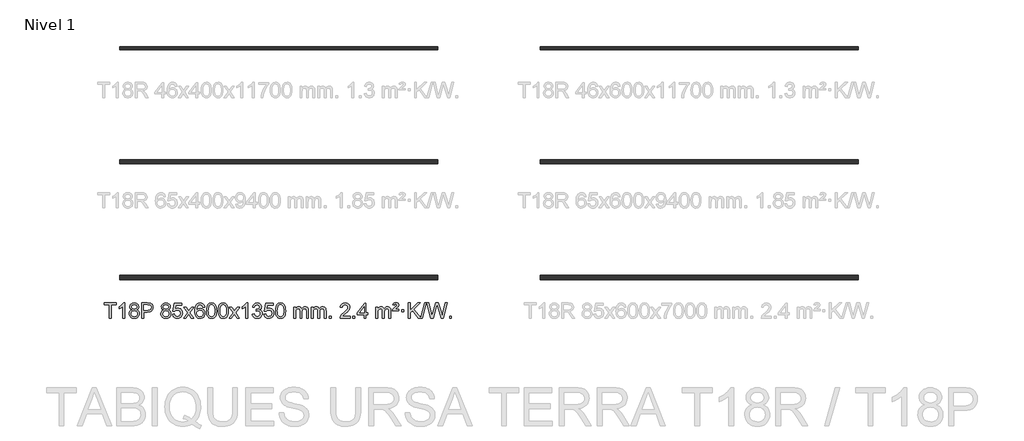
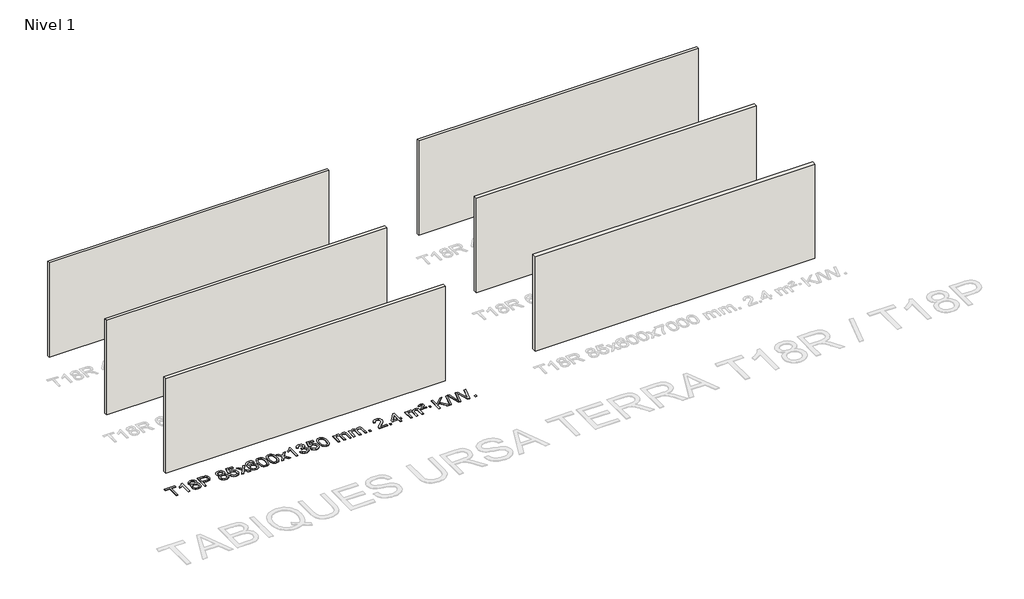
# One storey, part 1 of 7: 6 walls, 1 proxy.
"""IFC4 building model written with IfcOpenShell, lengths in millimetres."""

from ifc_helpers import new_model, si_unit, origin, origin_with_axes, place, context, project, spatial, polyline, outline, extrude, element, save

model = new_model("IFC4")

# Units and contexts
model_context = context("Model", 3, world=origin())
ifc_project = project(units=[si_unit("LENGTHUNIT", "METRE", prefix="MILLI")], contexts=[model_context])

# Site, building, storey
site = spatial("IfcSite", under=ifc_project)
building = spatial("IfcBuilding", under=site)
storey = spatial("IfcBuildingStorey", under=building, Name="Nivel 1", Elevation=0.0)

# Proxy
placement = place(None, origin())
element("IfcBuildingElementProxy", 1, Name="Texto de modelo 1", ObjectType="Texto de modelo 1", at=placement, inside=storey, context=model_context, shape_type="SweptSolid", body=[
    extrude(outline(polyline([(-25847.7238, 2801.3831431), (-25847.7238, 3152.9802287), (-25979.5727071, 3152.9802287), (-25979.5727071, 3203.2083837), (-25665.6467378, 3203.2083837), (-25665.6467378, 3152.9802287), (-25797.4956449, 3152.9802287), (-25797.4956449, 2801.3831431), (-25847.7238, 2801.3831431)])), origin_with_axes(), (0.0, 0.0, 1.0), 10.0),
    extrude(outline(polyline([(-25439.62004, 2801.3831431), (-25489.8481951, 2801.3831431), (-25489.8481951, 3114.5242974), (-25510.8174688, 3097.5649374), (-25537.4275998, 3080.6301029), (-25590.3045052, 3055.2707707), (-25590.3045052, 3102.7520736), (-25550.8552926, 3124.2118566), (-25516.6790553, 3149.7428671), (-25489.7378305, 3176.8925583), (-25471.9936556, 3203.2083837), (-25439.62004, 3203.2083837), (-25439.62004, 2801.3831431)])), origin_with_axes(), (0.0, 0.0, 1.0), 10.0),
    extrude(outline(polyline([(-25247.1441801, 3022.7009514), (-25274.036354, 3035.9447033), (-25292.9087003, 3053.8973446), (-25304.0555248, 3076.1909935), (-25307.7711329, 3102.457768), (-25305.747782, 3122.9426637), (-25299.677729, 3141.7230396), (-25289.5609742, 3158.7988955), (-25275.3975174, 3174.1702316), (-25257.8679403, 3186.8744231), (-25237.6528246, 3195.9488457), (-25214.7521704, 3201.3934992), (-25189.1659777, 3203.2083837), (-25163.4571576, 3201.3505797), (-25140.3848251, 3195.7771674), (-25119.9489803, 3186.488147), (-25102.1496231, 3173.4835185), (-25087.7286489, 3157.8117455), (-25077.427953, 3140.5212918), (-25071.2475355, 3121.6121572), (-25069.1873963, 3101.0843419), (-25072.8539535, 3075.663696), (-25083.8536252, 3053.7501918), (-25102.3090386, 3035.9079151), (-25128.3428211, 3022.7009514), (-25097.4284708, 3006.771661), (-25074.9263554, 2983.3130525), (-25061.204357, 2953.4532972), (-25056.6303576, 2918.3205667), (-25058.8989632, 2893.2678028), (-25065.7047801, 2870.2997036), (-25077.0478083, 2849.416269), (-25092.9280477, 2830.617499), (-25112.5116326, 2815.0806161), (-25134.9646971, 2803.9828426), (-25160.2872411, 2797.3241785), (-25188.4792646, 2795.1046237), (-25216.6712882, 2797.3333755), (-25241.9938322, 2804.0196308), (-25264.4468966, 2815.1633895), (-25284.0304815, 2830.7646518), (-25299.910721, 2849.6952461), (-25311.2537491, 2870.8270011), (-25318.0595661, 2894.1599166), (-25320.3281717, 2919.6939928), (-25315.5702312, 2956.1878867), (-25301.2964098, 2986.2070575), (-25278.2424714, 3008.7214356), (-25247.1441801, 3022.7009514)]), holes=[polyline([(-25257.5429779, 3100.98624), (-25253.0916057, 3079.0604731), (-25239.7374893, 3061.5492901), (-25217.873036, 3050.0713719), (-25187.8906534, 3046.2453991), (-25158.6072466, 3050.0468464), (-25137.0738872, 3061.4511883), (-25123.8301353, 3078.37376), (-25119.4155514, 3098.7298971), (-25123.9772881, 3119.8585864), (-25137.6624984, 3137.3329811), (-25159.4901634, 3149.0684168), (-25188.4792646, 3152.9802287), (-25217.6523068, 3149.1542559), (-25239.4431837, 3137.6763377), (-25253.0180293, 3120.8518677), (-25257.5429779, 3100.98624)]), polyline([(-25270.1000166, 2921.4598264), (-25268.0030892, 2902.2441235), (-25261.7123071, 2883.6415573), (-25250.0994988, 2867.4179613), (-25232.0364929, 2855.3391691), (-25210.4050315, 2847.8343764), (-25188.0868572, 2845.3327788), (-25153.8983571, 2850.5934914), (-25140.0046804, 2857.169382), (-25128.2447193, 2866.3756289), (-25112.2050643, 2890.2756959), (-25106.8585126, 2919.8901965), (-25112.3767426, 2950.0074692), (-25128.9314323, 2974.4348337), (-25141.0102245, 2983.8771382), (-25155.1736813, 2990.6216414), (-25189.7545889, 2996.017244), (-25223.4648424, 2990.6952178), (-25237.2021692, 2984.0426851), (-25248.8609628, 2974.7291393), (-25264.7902532, 2950.7677586), (-25270.1000166, 2921.4598264)])]), origin_with_axes(), (0.0, 0.0, 1.0), 10.0),
    extrude(outline(polyline([(-24993.8451637, 2801.3831431), (-24993.8451637, 3203.2083837), (-24844.9265321, 3203.2083837), (-24784.8881905, 3199.382411), (-24758.1186439, 3192.2332375), (-24736.0825124, 3180.5959038), (-24718.3383375, 3163.9431121), (-24704.4446608, 3141.7475651), (-24695.4683402, 3115.5666297), (-24692.4762333, 3086.9576733), (-24694.4965186, 3062.2911855), (-24700.5573744, 3039.5989977), (-24710.6588009, 3018.88111), (-24724.8007979, 3000.1375224), (-24744.2157702, 2984.6006395), (-24770.1361224, 2973.5028659), (-24802.5618546, 2966.8442018), (-24841.4929668, 2964.6246471), (-24943.6170086, 2964.6246471), (-24943.6170086, 2801.3831431), (-24993.8451637, 2801.3831431)]), holes=[polyline([(-24943.6170086, 3014.8528022), (-24838.5499108, 3014.8528022), (-24794.0116639, 3019.4635899), (-24777.4079232, 3025.2270745), (-24764.5811043, 3033.2959529), (-24755.0100411, 3043.4556273), (-24748.1735673, 3055.4914999), (-24742.7043883, 3085.1918397), (-24745.9294872, 3107.7552687), (-24755.6047836, 3126.7870306), (-24770.5285299, 3141.1099029), (-24789.4989781, 3149.5466634), (-24839.7271332, 3152.9802287), (-24943.6170086, 3152.9802287), (-24943.6170086, 3014.8528022)])]), origin_with_axes(), (0.0, 0.0, 1.0), 10.0),
    extrude(outline(polyline([(-24412.101102, 3022.7009514), (-24438.9932759, 3035.9447033), (-24457.8656222, 3053.8973446), (-24469.0124467, 3076.1909935), (-24472.7280548, 3102.457768), (-24470.7047038, 3122.9426637), (-24464.6346509, 3141.7230396), (-24454.517896, 3158.7988955), (-24440.3544392, 3174.1702316), (-24422.8248622, 3186.8744231), (-24402.6097465, 3195.9488457), (-24379.7090923, 3201.3934992), (-24354.1228996, 3203.2083837), (-24328.4140795, 3201.3505797), (-24305.341747, 3195.7771674), (-24284.9059022, 3186.488147), (-24267.106545, 3173.4835185), (-24252.6855708, 3157.8117455), (-24242.3848749, 3140.5212918), (-24236.2044574, 3121.6121572), (-24234.1443182, 3101.0843419), (-24237.8108754, 3075.663696), (-24248.8105471, 3053.7501918), (-24267.2659605, 3035.9079151), (-24293.299743, 3022.7009514), (-24262.3853927, 3006.771661), (-24239.8832773, 2983.3130525), (-24226.1612789, 2953.4532972), (-24221.5872794, 2918.3205667), (-24223.8558851, 2893.2678028), (-24230.661702, 2870.2997036), (-24242.0047302, 2849.416269), (-24257.8849696, 2830.617499), (-24277.4685545, 2815.0806161), (-24299.9216189, 2803.9828426), (-24325.2441629, 2797.3241785), (-24353.4361865, 2795.1046237), (-24381.6282101, 2797.3333755), (-24406.9507541, 2804.0196308), (-24429.4038185, 2815.1633895), (-24448.9874034, 2830.7646518), (-24464.8676428, 2849.6952461), (-24476.210671, 2870.8270011), (-24483.0164879, 2894.1599166), (-24485.2850936, 2919.6939928), (-24480.5271531, 2956.1878867), (-24466.2533317, 2986.2070575), (-24443.1993933, 3008.7214356), (-24412.101102, 3022.7009514)]), holes=[polyline([(-24422.4998997, 3100.98624), (-24418.0485276, 3079.0604731), (-24404.6944112, 3061.5492901), (-24382.8299579, 3050.0713719), (-24352.8475753, 3046.2453991), (-24323.5641685, 3050.0468464), (-24302.030809, 3061.4511883), (-24288.7870572, 3078.37376), (-24284.3724733, 3098.7298971), (-24288.93421, 3119.8585864), (-24302.6194202, 3137.3329811), (-24324.4470853, 3149.0684168), (-24353.4361865, 3152.9802287), (-24382.6092287, 3149.1542559), (-24404.4001056, 3137.6763377), (-24417.9749512, 3120.8518677), (-24422.4998997, 3100.98624)]), polyline([(-24435.0569385, 2921.4598264), (-24432.9600111, 2902.2441235), (-24426.669229, 2883.6415573), (-24415.0564207, 2867.4179613), (-24396.9934147, 2855.3391691), (-24375.3619534, 2847.8343764), (-24353.043779, 2845.3327788), (-24318.855279, 2850.5934914), (-24304.9616023, 2857.169382), (-24293.2016412, 2866.3756289), (-24277.1619862, 2890.2756959), (-24271.8154345, 2919.8901965), (-24277.3336644, 2950.0074692), (-24293.8883542, 2974.4348337), (-24305.9671464, 2983.8771382), (-24320.1306032, 2990.6216414), (-24354.7115108, 2996.017244), (-24388.4217642, 2990.6952178), (-24402.1590911, 2984.0426851), (-24413.8178846, 2974.7291393), (-24429.747175, 2950.7677586), (-24435.0569385, 2921.4598264)])]), origin_with_axes(), (0.0, 0.0, 1.0), 10.0),
    extrude(outline(polyline([(-24177.6376437, 2908.1179727), (-24127.4094887, 2914.396492), (-24118.1879133, 2884.2424312), (-24102.0992074, 2862.6477581), (-24079.2169473, 2849.6615236), (-24049.6147094, 2845.3327788), (-24030.4848457, 2846.8380293), (-24013.6113248, 2851.3537808), (-23998.9941469, 2858.8800333), (-23986.6333118, 2869.4167868), (-23976.8047312, 2882.4428751), (-23969.7843165, 2897.4371321), (-23964.1679847, 2933.3301521), (-23969.4286972, 2967.1262447), (-23976.0045879, 2981.0444468), (-23985.2108348, 2992.9760862), (-23997.0780948, 3002.5471495), (-24011.6370248, 3009.3836232), (-24048.8298945, 3014.8528022), (-24073.1959453, 3012.6700357), (-24092.926683, 3006.1217362), (-24108.6842951, 2996.0908204), (-24121.1309693, 2983.4602053), (-24171.3591244, 2989.7387247), (-24127.4094887, 3196.9298643), (-23932.7753878, 3196.9298643), (-23932.7753878, 3146.7017093), (-24086.7953164, 3146.7017093), (-24108.2796249, 3036.0428051), (-24090.5538441, 3048.7469967), (-24072.3988677, 3057.8214192), (-24053.8146955, 3063.2660728), (-24034.8013278, 3065.0809573), (-24010.3402408, 3062.8307457), (-23987.8718479, 3056.0801111), (-23967.3961492, 3044.8290534), (-23948.9131446, 3029.0775727), (-23933.6123193, 3009.7882934), (-23922.6831584, 2987.9238402), (-23916.1256618, 2963.4842129), (-23913.9398296, 2936.4694118), (-23915.9079983, 2910.447892), (-23921.8125043, 2886.2412567), (-23931.6533477, 2863.8495059), (-23945.4305284, 2843.2726396), (-23966.3017002, 2822.1991327), (-23990.6554883, 2807.1466277), (-24018.4918926, 2798.1151247), (-24049.8109132, 2795.1046237), (-24075.7312654, 2797.0390699), (-24099.1438887, 2802.8424084), (-24120.0487831, 2812.5146392), (-24138.4459485, 2826.0557623), (-24153.7529052, 2842.7913274), (-24165.3871733, 2862.0468841), (-24173.3487528, 2883.8224326), (-24177.6376437, 2908.1179727)])), origin_with_axes(), (0.0, 0.0, 1.0), 10.0),
    extrude(outline(polyline([(-23888.8257521, 2801.3831431), (-23781.5023113, 2949.7131636), (-23882.5472327, 3096.4735542), (-23822.1164836, 3096.4735542), (-23773.3598565, 3025.8402111), (-23750.6002237, 2992.4855769), (-23730.8817488, 3019.7578955), (-23675.356093, 3096.4735542), (-23614.9253439, 3096.4735542), (-23721.0715623, 2949.7131636), (-23618.8494185, 2801.3831431), (-23679.2801676, 2801.3831431), (-23740.7900372, 2890.5577388), (-23752.0717517, 2906.8426484), (-23828.395003, 2801.3831431), (-23888.8257521, 2801.3831431)])), origin_with_axes(), (0.0, 0.0, 1.0), 10.0),
    extrude(outline(polyline([(-23330.0375269, 3096.4735542), (-23380.2656819, 3090.1950348), (-23388.3590858, 3115.0883832), (-23399.2974438, 3132.0845313), (-23422.0816021, 3147.7563043), (-23449.6237008, 3152.9802287), (-23472.9719447, 3149.9390708), (-23494.9467626, 3140.8155973), (-23513.8191089, 3121.5998945), (-23529.2333645, 3095.149179), (-23539.644425, 3057.7355801), (-23543.5071859, 3005.6312269), (-23523.3595153, 3029.1388863), (-23499.2141937, 3045.7058389), (-23472.4201217, 3055.5282881), (-23444.3262, 3058.8024379), (-23420.1931411, 3056.5644891), (-23397.9240177, 3049.8506427), (-23377.5188297, 3038.6608987), (-23358.9775771, 3022.995257), (-23343.5694529, 3003.7856855), (-23332.5636499, 2981.9641518), (-23325.9601681, 2957.530656), (-23323.7590075, 2930.485198), (-23327.9038113, 2894.5186016), (-23340.3382227, 2861.1762301), (-23360.0321722, 2832.8983674), (-23385.9555901, 2812.1252974), (-23416.9312541, 2799.3597922), (-23451.7819418, 2795.1046237), (-23481.7244705, 2797.9250524), (-23508.7668628, 2806.3863383), (-23532.9091188, 2820.4884814), (-23554.1512383, 2840.2314818), (-23571.4692832, 2866.4492053), (-23583.8393153, 2899.9755178), (-23591.2613346, 2940.8104193), (-23593.735341, 2988.9539097), (-23590.9884888, 3042.9283298), (-23582.7479321, 3088.993287), (-23569.0136709, 3127.1487812), (-23549.7857053, 3157.3948126), (-23528.9451903, 3177.43825), (-23504.7814746, 3191.7549909), (-23477.2945582, 3200.3450355), (-23446.4844411, 3203.2083837), (-23423.3507949, 3201.4364188), (-23402.412178, 3196.120524), (-23383.6685904, 3187.2606992), (-23367.120032, 3174.8569446), (-23353.2140926, 3159.3261931), (-23342.3983619, 3141.0853775), (-23334.67284, 3120.1344979), (-23330.0375269, 3096.4735542)]), holes=[polyline([(-23543.5071859, 2931.2700129), (-23540.6009182, 2909.0131522), (-23531.8821149, 2887.7618356), (-23518.3440575, 2869.4903632), (-23500.9800273, 2856.1730349), (-23480.0230163, 2848.0428429), (-23455.7060164, 2845.3327788), (-23422.5598486, 2850.9491106), (-23408.6447122, 2857.9695254), (-23396.5015407, 2867.798106), (-23386.6515002, 2880.0363137), (-23379.6157571, 2894.2856096), (-23373.9871625, 2928.8174663), (-23379.5421807, 2961.963634), (-23386.4859533, 2975.5844649), (-23396.2072351, 2987.2371271), (-23408.3871948, 2996.5721327), (-23422.7070014, 3003.2399939), (-23457.7661556, 3008.5742828), (-23490.8632724, 3003.2399939), (-23518.5402612, 2987.2371271), (-23529.4632908, 2975.7377491), (-23537.2654547, 2962.5767707), (-23541.9467531, 2947.754192), (-23543.5071859, 2931.2700129)])]), origin_with_axes(), (0.0, 0.0, 1.0), 10.0),
    extrude(outline(polyline([(-23279.8093718, 2999.0584019), (-23276.1182891, 3063.3764374), (-23265.045041, 3114.6714502), (-23246.6999922, 3153.7282554), (-23234.8419292, 3168.9616357), (-23221.1935072, 3181.3316677), (-23205.7087409, 3190.902731), (-23188.341645, 3197.7392047), (-23147.9604647, 3203.2083837), (-23117.0093262, 3199.9710222), (-23089.2955492, 3190.2589375), (-23066.1189835, 3174.4522744), (-23048.7794788, 3152.9311777), (-23035.6828798, 3125.8795883), (-23025.2350311, 3093.4814473), (-23018.392426, 3052.3399775), (-23016.1115576, 2999.0584019), (-23019.7658521, 2935.1082484), (-23030.7287356, 2883.9358628), (-23048.9634198, 2844.8422695), (-23060.7938916, 2829.562904), (-23074.4331166, 2817.1284925), (-23089.936277, 2807.4930499), (-23107.3585552, 2800.6105909), (-23147.9604647, 2795.1046237), (-23175.6251907, 2797.4958567), (-23200.1506571, 2804.6695556), (-23221.5368637, 2816.6257205), (-23239.7838107, 2833.3643512), (-23257.2949937, 2863.6226453), (-23269.8029815, 2901.3244185), (-23277.3077742, 2946.4696707), (-23279.8093718, 2999.0584019)]), holes=[polyline([(-23229.5812167, 2999.1565037), (-23228.1096887, 2955.4919766), (-23223.6951048, 2920.1477139), (-23216.3374649, 2893.1237157), (-23206.036769, 2874.4199819), (-23193.5778321, 2861.6943306), (-23179.7454691, 2852.6045796), (-23164.53968, 2847.150729), (-23147.9604647, 2845.3327788), (-23131.3812495, 2847.1568604), (-23116.1754603, 2852.6291051), (-23102.3430973, 2861.7495129), (-23089.8841604, 2874.5180838), (-23079.5834645, 2893.2524744), (-23072.2258246, 2920.2703412), (-23067.8112407, 2955.5716844), (-23066.3397127, 2999.1565037), (-23067.7621898, 3041.6652683), (-23072.0296209, 3076.3871973), (-23079.1420061, 3103.3222907), (-23089.0993455, 3122.4705485), (-23101.3498159, 3135.8185336), (-23115.3415945, 3145.3528086), (-23131.0746811, 3151.0733736), (-23148.5490759, 3152.9802287), (-23165.042452, 3151.3002342), (-23179.9907238, 3146.2602509), (-23193.3938911, 3137.8602787), (-23205.2519541, 3126.1003175), (-23215.8960065, 3105.2536711), (-23223.4989011, 3077.1474867), (-23228.0606378, 3041.7817642), (-23229.5812167, 2999.1565037)])]), origin_with_axes(), (0.0, 0.0, 1.0), 10.0),
    extrude(outline(polyline([(-22972.1619219, 2999.0584019), (-22968.4708393, 3063.3764374), (-22957.3975912, 3114.6714502), (-22939.0525424, 3153.7282554), (-22927.1944794, 3168.9616357), (-22913.5460574, 3181.3316677), (-22898.0612911, 3190.902731), (-22880.6941952, 3197.7392047), (-22840.3130149, 3203.2083837), (-22809.3618764, 3199.9710222), (-22781.6480994, 3190.2589375), (-22758.4715337, 3174.4522744), (-22741.132029, 3152.9311777), (-22728.03543, 3125.8795883), (-22717.5875813, 3093.4814473), (-22710.7449762, 3052.3399775), (-22708.4641078, 2999.0584019), (-22712.1184023, 2935.1082484), (-22723.0812857, 2883.9358628), (-22741.31597, 2844.8422695), (-22753.1464418, 2829.562904), (-22766.7856668, 2817.1284925), (-22782.2888272, 2807.4930499), (-22799.7111053, 2800.6105909), (-22840.3130149, 2795.1046237), (-22867.9777409, 2797.4958567), (-22892.5032073, 2804.6695556), (-22913.8894139, 2816.6257205), (-22932.1363609, 2833.3643512), (-22949.6475438, 2863.6226453), (-22962.1555317, 2901.3244185), (-22969.6603244, 2946.4696707), (-22972.1619219, 2999.0584019)]), holes=[polyline([(-22921.9337669, 2999.1565037), (-22920.4622389, 2955.4919766), (-22916.047655, 2920.1477139), (-22908.690015, 2893.1237157), (-22898.3893192, 2874.4199819), (-22885.9303823, 2861.6943306), (-22872.0980193, 2852.6045796), (-22856.8922301, 2847.150729), (-22840.3130149, 2845.3327788), (-22823.7337996, 2847.1568604), (-22808.5280105, 2852.6291051), (-22794.6956475, 2861.7495129), (-22782.2367106, 2874.5180838), (-22771.9360147, 2893.2524744), (-22764.5783748, 2920.2703412), (-22760.1637909, 2955.5716844), (-22758.6922629, 2999.1565037), (-22760.1147399, 3041.6652683), (-22764.3821711, 3076.3871973), (-22771.4945563, 3103.3222907), (-22781.4518957, 3122.4705485), (-22793.7023661, 3135.8185336), (-22807.6941446, 3145.3528086), (-22823.4272313, 3151.0733736), (-22840.9016261, 3152.9802287), (-22857.3950022, 3151.3002342), (-22872.3432739, 3146.2602509), (-22885.7464413, 3137.8602787), (-22897.6045043, 3126.1003175), (-22908.2485567, 3105.2536711), (-22915.8514512, 3077.1474867), (-22920.413188, 3041.7817642), (-22921.9337669, 2999.1565037)])]), origin_with_axes(), (0.0, 0.0, 1.0), 10.0),
    extrude(outline(polyline([(-22683.3500303, 2801.3831431), (-22576.0265895, 2949.7131636), (-22677.0715109, 3096.4735542), (-22616.6407618, 3096.4735542), (-22567.8841347, 3025.8402111), (-22545.1245019, 2992.4855769), (-22525.406027, 3019.7578955), (-22469.8803712, 3096.4735542), (-22409.4496221, 3096.4735542), (-22515.5958405, 2949.7131636), (-22413.3736967, 2801.3831431), (-22473.8044458, 2801.3831431), (-22535.3143154, 2890.5577388), (-22546.5960299, 2906.8426484), (-22622.9192812, 2801.3831431), (-22683.3500303, 2801.3831431)])), origin_with_axes(), (0.0, 0.0, 1.0), 10.0),
    extrude(outline(polyline([(-22193.6255183, 2801.3831431), (-22243.8536734, 2801.3831431), (-22243.8536734, 3114.5242974), (-22264.8229471, 3097.5649374), (-22291.4330781, 3080.6301029), (-22344.3099835, 3055.2707707), (-22344.3099835, 3102.7520736), (-22304.8607709, 3124.2118566), (-22270.6845335, 3149.7428671), (-22243.7433088, 3176.8925583), (-22225.9991339, 3203.2083837), (-22193.6255183, 3203.2083837), (-22193.6255183, 2801.3831431)])), origin_with_axes(), (0.0, 0.0, 1.0), 10.0),
    extrude(outline(polyline([(-22074.33365, 2908.1179727), (-22024.1054949, 2914.396492), (-22012.8605686, 2882.8322169), (-21996.3917179, 2861.5195866), (-21973.8896026, 2849.3794808), (-21944.5448821, 2845.3327788), (-21910.1111273, 2850.9000597), (-21895.8373059, 2857.8591608), (-21883.5255218, 2867.6019023), (-21866.5293736, 2892.5197761), (-21860.8639909, 2922.7351506), (-21866.4803227, 2951.4176835), (-21883.3293181, 2974.6800883), (-21908.8358031, 2990.0943439), (-21940.4246037, 2995.2324291), (-21975.6431734, 2989.7387247), (-21970.0513671, 3039.9668797), (-21962.0070141, 3039.3782685), (-21931.9142669, 3042.9835121), (-21905.0098303, 3053.7992428), (-21893.9365823, 3061.9784858), (-21886.0271194, 3072.0952406), (-21881.2814417, 3084.1495074), (-21879.6995491, 3098.1412859), (-21884.2858113, 3119.8340609), (-21898.0445979, 3137.431083), (-21919.0383971, 3149.0929422), (-21945.329697, 3152.9802287), (-21971.6700479, 3149.056154), (-21993.2034073, 3137.2839302), (-22008.9242312, 3117.6635571), (-22017.8269755, 3090.1950348), (-22068.0551306, 3096.4735542), (-22062.1015736, 3120.4533289), (-22053.2662744, 3141.5758868), (-22041.5492329, 3159.8412279), (-22026.950449, 3175.2493521), (-22009.9297754, 3187.4814284), (-21990.9470644, 3196.2186258), (-21970.0023162, 3201.4609443), (-21947.0955306, 3203.2083837), (-21915.5189927, 3199.7625557), (-21886.5176287, 3189.4250716), (-21862.0657388, 3173.1156365), (-21844.1376229, 3151.7539553), (-21833.1379512, 3127.1426499), (-21829.471394, 3101.0843419), (-21832.9540102, 3076.8041302), (-21843.4018589, 3054.7802614), (-21860.6677872, 3036.0182797), (-21884.6046423, 3021.523729), (-21853.1629945, 3008.8195375), (-21829.8638015, 2987.1880762), (-21815.4428272, 2957.8065675), (-21810.6358358, 2921.8522338), (-21813.0393315, 2896.3702743), (-21820.2498187, 2872.899403), (-21832.2672972, 2851.4396199), (-21849.0917671, 2831.9909251), (-21869.5889256, 2815.8531683), (-21892.6244698, 2804.3261991), (-21918.1983999, 2797.4100176), (-21946.3107157, 2795.1046237), (-21971.7190988, 2797.0727924), (-21994.871139, 2802.9772984), (-22015.7668364, 2812.8181418), (-22034.4061908, 2826.5953225), (-22050.0350442, 2843.4995002), (-22061.8992386, 2862.7213345), (-22069.9987738, 2884.2608253), (-22074.33365, 2908.1179727)])), origin_with_axes(), (0.0, 0.0, 1.0), 10.0),
    extrude(outline(polyline([(-21766.6862002, 2908.1179727), (-21716.4580451, 2914.396492), (-21707.2364697, 2884.2424312), (-21691.1477638, 2862.6477581), (-21668.2655037, 2849.6615236), (-21638.6632658, 2845.3327788), (-21619.5334021, 2846.8380293), (-21602.6598812, 2851.3537808), (-21588.0427033, 2858.8800333), (-21575.6818683, 2869.4167868), (-21565.8532876, 2882.4428751), (-21558.8328729, 2897.4371321), (-21553.2165411, 2933.3301521), (-21558.4772536, 2967.1262447), (-21565.0531443, 2981.0444468), (-21574.2593912, 2992.9760862), (-21586.1266512, 3002.5471495), (-21600.6855812, 3009.3836232), (-21637.8784509, 3014.8528022), (-21662.2445017, 3012.6700357), (-21681.9752394, 3006.1217362), (-21697.7328515, 2996.0908204), (-21710.1795257, 2983.4602053), (-21760.4076808, 2989.7387247), (-21716.4580451, 3196.9298643), (-21521.8239442, 3196.9298643), (-21521.8239442, 3146.7017093), (-21675.8438728, 3146.7017093), (-21697.3281813, 3036.0428051), (-21679.6024005, 3048.7469967), (-21661.4474241, 3057.8214192), (-21642.8632519, 3063.2660728), (-21623.8498842, 3065.0809573), (-21599.3887972, 3062.8307457), (-21576.9204043, 3056.0801111), (-21556.4447056, 3044.8290534), (-21537.961701, 3029.0775727), (-21522.6608757, 3009.7882934), (-21511.7317148, 2987.9238402), (-21505.1742182, 2963.4842129), (-21502.988386, 2936.4694118), (-21504.9565547, 2910.447892), (-21510.8610607, 2886.2412567), (-21520.7019041, 2863.8495059), (-21534.4790848, 2843.2726396), (-21555.3502567, 2822.1991327), (-21579.7040447, 2807.1466277), (-21607.540449, 2798.1151247), (-21638.8594696, 2795.1046237), (-21664.7798218, 2797.0390699), (-21688.1924451, 2802.8424084), (-21709.0973395, 2812.5146392), (-21727.4945049, 2826.0557623), (-21742.8014616, 2842.7913274), (-21754.4357297, 2862.0468841), (-21762.3973092, 2883.8224326), (-21766.6862002, 2908.1179727)])), origin_with_axes(), (0.0, 0.0, 1.0), 10.0),
    extrude(outline(polyline([(-21459.0387503, 2999.0584019), (-21455.3476676, 3063.3764374), (-21444.2744196, 3114.6714502), (-21425.9293708, 3153.7282554), (-21414.0713078, 3168.9616357), (-21400.4228858, 3181.3316677), (-21384.9381194, 3190.902731), (-21367.5710236, 3197.7392047), (-21327.1898432, 3203.2083837), (-21296.2387047, 3199.9710222), (-21268.5249278, 3190.2589375), (-21245.3483621, 3174.4522744), (-21228.0088574, 3152.9311777), (-21214.9122583, 3125.8795883), (-21204.4644097, 3093.4814473), (-21197.6218045, 3052.3399775), (-21195.3409362, 2999.0584019), (-21198.9952307, 2935.1082484), (-21209.9581141, 2883.9358628), (-21228.1927983, 2844.8422695), (-21240.0232702, 2829.562904), (-21253.6624951, 2817.1284925), (-21269.1656556, 2807.4930499), (-21286.5879337, 2800.6105909), (-21327.1898432, 2795.1046237), (-21354.8545693, 2797.4958567), (-21379.3800356, 2804.6695556), (-21400.7662423, 2816.6257205), (-21419.0131892, 2833.3643512), (-21436.5243722, 2863.6226453), (-21449.0323601, 2901.3244185), (-21456.5371528, 2946.4696707), (-21459.0387503, 2999.0584019)]), holes=[polyline([(-21408.8105952, 2999.1565037), (-21407.3390673, 2955.4919766), (-21402.9244833, 2920.1477139), (-21395.5668434, 2893.1237157), (-21385.2661476, 2874.4199819), (-21372.8072107, 2861.6943306), (-21358.9748476, 2852.6045796), (-21343.7690585, 2847.150729), (-21327.1898432, 2845.3327788), (-21310.610628, 2847.1568604), (-21295.4048389, 2852.6291051), (-21281.5724758, 2861.7495129), (-21269.1135389, 2874.5180838), (-21258.8128431, 2893.2524744), (-21251.4552032, 2920.2703412), (-21247.0406192, 2955.5716844), (-21245.5690913, 2999.1565037), (-21246.9915683, 3041.6652683), (-21251.2589994, 3076.3871973), (-21258.3713847, 3103.3222907), (-21268.328724, 3122.4705485), (-21280.5791945, 3135.8185336), (-21294.570973, 3145.3528086), (-21310.3040597, 3151.0733736), (-21327.7784544, 3152.9802287), (-21344.2718306, 3151.3002342), (-21359.2201023, 3146.2602509), (-21372.6232697, 3137.8602787), (-21384.4813326, 3126.1003175), (-21395.125385, 3105.2536711), (-21402.7282796, 3077.1474867), (-21407.2900163, 3041.7817642), (-21408.8105952, 2999.1565037)])]), origin_with_axes(), (0.0, 0.0, 1.0), 10.0),
    extrude(outline(polyline([(-20981.8712771, 2801.3831431), (-20981.8712771, 3096.4735542), (-20931.643122, 3096.4735542), (-20931.643122, 3047.9131308), (-20916.5354348, 3070.2190425), (-20897.1112654, 3087.6934372), (-20874.0328016, 3098.9874145), (-20847.9622309, 3102.7520736), (-20820.0277247, 3098.9138381), (-20797.6359739, 3087.3991316), (-20780.9096059, 3068.9682437), (-20769.9712479, 3044.3814637), (-20751.6629873, 3069.9186055), (-20730.7795527, 3088.1594211), (-20707.3209441, 3099.1039105), (-20681.2871616, 3102.7520736), (-20661.1793449, 3101.2345603), (-20643.5302061, 3096.6820207), (-20628.3397454, 3089.0944545), (-20615.6079627, 3078.4718619), (-20605.5433245, 3064.6916155), (-20598.3542971, 3047.631088), (-20594.0408807, 3027.2902793), (-20592.6030753, 3003.6691895), (-20592.6030753, 2801.3831431), (-20642.8312304, 2801.3831431), (-20642.8312304, 2982.0867792), (-20643.99619, 3007.139543), (-20647.491069, 3024.0253266), (-20654.0393685, 3035.589084), (-20664.3645898, 3044.6757693), (-20677.6451298, 3050.5618812), (-20693.0593854, 3052.5239185), (-20720.2703903, 3047.4961979), (-20742.4536746, 3032.4130361), (-20751.0590477, 3020.8431474), (-20757.2057427, 3006.2443635), (-20762.1230987, 2967.9601105), (-20762.1230987, 2801.3831431), (-20812.3512537, 2801.3831431), (-20812.3512537, 2987.6785855), (-20815.2575215, 3016.0790755), (-20823.9763248, 3036.3371107), (-20839.317004, 3048.4772166), (-20862.0888995, 3052.5239185), (-20881.4394924, 3049.8261172), (-20899.2695065, 3041.7327133), (-20913.9847863, 3028.4399106), (-20923.9911765, 3010.1439127), (-20929.7301357, 2984.760055), (-20931.643122, 2950.2036729), (-20931.643122, 2801.3831431), (-20981.8712771, 2801.3831431)])), origin_with_axes(), (0.0, 0.0, 1.0), 10.0),
    extrude(outline(polyline([(-20517.2608427, 2801.3831431), (-20517.2608427, 3096.4735542), (-20467.0326876, 3096.4735542), (-20467.0326876, 3047.9131308), (-20451.9250003, 3070.2190425), (-20432.500831, 3087.6934372), (-20409.4223671, 3098.9874145), (-20383.3517964, 3102.7520736), (-20355.4172903, 3098.9138381), (-20333.0255395, 3087.3991316), (-20316.2991714, 3068.9682437), (-20305.3608134, 3044.3814637), (-20287.0525528, 3069.9186055), (-20266.1691182, 3088.1594211), (-20242.7105097, 3099.1039105), (-20216.6767271, 3102.7520736), (-20196.5689104, 3101.2345603), (-20178.9197717, 3096.6820207), (-20163.729311, 3089.0944545), (-20150.9975283, 3078.4718619), (-20140.93289, 3064.6916155), (-20133.7438627, 3047.631088), (-20129.4304463, 3027.2902793), (-20127.9926408, 3003.6691895), (-20127.9926408, 2801.3831431), (-20178.2207959, 2801.3831431), (-20178.2207959, 2982.0867792), (-20179.3857556, 3007.139543), (-20182.8806345, 3024.0253266), (-20189.428934, 3035.589084), (-20199.7541554, 3044.6757693), (-20213.0346954, 3050.5618812), (-20228.448951, 3052.5239185), (-20255.6599559, 3047.4961979), (-20277.8432402, 3032.4130361), (-20286.4486132, 3020.8431474), (-20292.5953082, 3006.2443635), (-20297.5126642, 2967.9601105), (-20297.5126642, 2801.3831431), (-20347.7408193, 2801.3831431), (-20347.7408193, 2987.6785855), (-20350.6470871, 3016.0790755), (-20359.3658903, 3036.3371107), (-20374.7065695, 3048.4772166), (-20397.478465, 3052.5239185), (-20416.829058, 3049.8261172), (-20434.659072, 3041.7327133), (-20449.3743518, 3028.4399106), (-20459.3807421, 3010.1439127), (-20465.1197012, 2984.760055), (-20467.0326876, 2950.2036729), (-20467.0326876, 2801.3831431), (-20517.2608427, 2801.3831431)])), origin_with_axes(), (0.0, 0.0, 1.0), 10.0),
    extrude(outline(polyline([(-20040.0933695, 2801.3831431), (-20040.0933695, 2851.6112982), (-19989.8652144, 2851.6112982), (-19989.8652144, 2801.3831431), (-20040.0933695, 2801.3831431)])), origin_with_axes(), (0.0, 0.0, 1.0), 10.0),
    extrude(outline(polyline([(-19493.862183, 2851.6112982), (-19493.862183, 2801.3831431), (-19757.5599972, 2801.3831431), (-19756.4563512, 2819.0660044), (-19752.1643946, 2836.0131016), (-19739.7790341, 2863.0769537), (-19721.6547144, 2889.3314654), (-19695.4369909, 2916.8122505), (-19658.7714187, 2947.5549225), (-19604.5701381, 2995.698413), (-19572.0493697, 3031.2358137), (-19555.7889855, 3060.0777621), (-19550.3688575, 3088.1348956), (-19555.4824172, 3113.2857614), (-19570.8230964, 3134.1937214), (-19594.4043323, 3148.2836018), (-19624.2395621, 3152.9802287), (-19655.5708454, 3148.3939664), (-19679.9123707, 3134.6351798), (-19695.6209319, 3112.7829893), (-19701.0533227, 3083.9165154), (-19751.2814778, 3090.1950348), (-19746.96193, 3116.1245841), (-19739.1045837, 3138.7799836), (-19727.7094389, 3158.1612334), (-19712.7764956, 3174.2683334), (-19694.6491103, 3186.9296054), (-19673.6706395, 3195.9733712), (-19649.8410833, 3201.3996306), (-19623.1604416, 3203.2083837), (-19596.2406766, 3201.1972955), (-19572.2823617, 3195.1640308), (-19551.2854968, 3185.1085896), (-19533.250082, 3171.0309719), (-19518.7647284, 3153.97351), (-19508.4180473, 3134.9785364), (-19502.2100386, 3114.0460508), (-19500.1407024, 3091.1760535), (-19502.3725198, 3067.1533592), (-19509.0679722, 3043.5475978), (-19520.9505606, 3019.5371663), (-19538.7437864, 2994.3004614), (-19567.1074883, 2964.170926), (-19610.7015047, 2925.4820028), (-19668.4835034, 2877.1668341), (-19691.1450343, 2851.6112982), (-19493.862183, 2851.6112982)])), origin_with_axes(), (0.0, 0.0, 1.0), 10.0),
    extrude(outline(polyline([(-19418.5199504, 2801.3831431), (-19418.5199504, 2851.6112982), (-19368.2917953, 2851.6112982), (-19368.2917953, 2801.3831431), (-19418.5199504, 2801.3831431)])), origin_with_axes(), (0.0, 0.0, 1.0), 10.0),
    extrude(outline(polyline([(-19123.4295393, 2801.3831431), (-19123.4295393, 2895.5609339), (-19305.5066015, 2895.5609339), (-19305.5066015, 2945.789089), (-19110.8725006, 3196.9298643), (-19073.2013843, 3196.9298643), (-19073.2013843, 2945.789089), (-19022.9732292, 2945.789089), (-19022.9732292, 2895.5609339), (-19073.2013843, 2895.5609339), (-19073.2013843, 2801.3831431), (-19123.4295393, 2801.3831431)]), holes=[polyline([(-19123.4295393, 2945.789089), (-19123.4295393, 3100.98624), (-19243.7024263, 2945.789089), (-19123.4295393, 2945.789089)])]), origin_with_axes(), (0.0, 0.0, 1.0), 10.0),
    extrude(outline(polyline([(-18809.5035701, 2801.3831431), (-18809.5035701, 3096.4735542), (-18759.2754151, 3096.4735542), (-18759.2754151, 3047.9131308), (-18744.1677278, 3070.2190425), (-18724.7435584, 3087.6934372), (-18701.6650946, 3098.9874145), (-18675.5945239, 3102.7520736), (-18647.6600177, 3098.9138381), (-18625.2682669, 3087.3991316), (-18608.5418989, 3068.9682437), (-18597.6035409, 3044.3814637), (-18579.2952803, 3069.9186055), (-18558.4118457, 3088.1594211), (-18534.9532371, 3099.1039105), (-18508.9194546, 3102.7520736), (-18488.8116379, 3101.2345603), (-18471.1624992, 3096.6820207), (-18455.9720384, 3089.0944545), (-18443.2402557, 3078.4718619), (-18433.1756175, 3064.6916155), (-18425.9865902, 3047.631088), (-18421.6731738, 3027.2902793), (-18420.2353683, 3003.6691895), (-18420.2353683, 2801.3831431), (-18470.4635234, 2801.3831431), (-18470.4635234, 2982.0867792), (-18471.628483, 3007.139543), (-18475.123362, 3024.0253266), (-18481.6716615, 3035.589084), (-18491.9968828, 3044.6757693), (-18505.2774228, 3050.5618812), (-18520.6916784, 3052.5239185), (-18547.9026834, 3047.4961979), (-18570.0859677, 3032.4130361), (-18578.6913407, 3020.8431474), (-18584.8380357, 3006.2443635), (-18589.7553917, 2967.9601105), (-18589.7553917, 2801.3831431), (-18639.9835467, 2801.3831431), (-18639.9835467, 2987.6785855), (-18642.8898145, 3016.0790755), (-18651.6086178, 3036.3371107), (-18666.949297, 3048.4772166), (-18689.7211925, 3052.5239185), (-18709.0717854, 3049.8261172), (-18726.9017995, 3041.7327133), (-18741.6170793, 3028.4399106), (-18751.6234696, 3010.1439127), (-18757.3624287, 2984.760055), (-18759.2754151, 2950.2036729), (-18759.2754151, 2801.3831431), (-18809.5035701, 2801.3831431)])), origin_with_axes(), (0.0, 0.0, 1.0), 10.0),
    extrude(outline(polyline([(-18376.2857326, 3002.2957634), (-18372.4597599, 3018.1146892), (-18364.1211013, 3033.9826659), (-18342.6122673, 3059.121269), (-18310.6555847, 3086.8595714), (-18266.5097452, 3124.2363821), (-18259.3728345, 3135.7633513), (-18256.9938643, 3147.5846261), (-18258.8823252, 3159.675681), (-18264.5477079, 3169.461342), (-18273.9164361, 3175.9360652), (-18286.9149332, 3178.0943062), (-18299.3493447, 3176.4756254), (-18308.203038, 3171.6195831), (-18314.6287102, 3162.1527531), (-18319.7790581, 3146.7017093), (-18370.0072132, 3152.9802287), (-18359.1669571, 3178.1924081), (-18342.5386909, 3195.752642), (-18318.773514, 3206.0533378), (-18286.5225258, 3209.4869031), (-18250.7398704, 3205.354362), (-18225.9936748, 3192.9567388), (-18211.5727006, 3174.6239527), (-18206.7657092, 3152.6859231), (-18210.8614621, 3129.7791375), (-18223.1487207, 3108.1476762), (-18243.6765361, 3088.3310994), (-18280.1459045, 3060.2739659), (-18305.7504914, 3033.6883604), (-18206.7657092, 3033.6883604), (-18206.7657092, 3002.2957634), (-18376.2857326, 3002.2957634)])), origin_with_axes(), (0.0, 0.0, 1.0), 10.0),
    extrude(outline(polyline([(-18131.4234766, 2977.1816859), (-18131.4234766, 3027.409841), (-18081.1953215, 3027.409841), (-18081.1953215, 2977.1816859), (-18131.4234766, 2977.1816859)])), origin_with_axes(), (0.0, 0.0, 1.0), 10.0),
    extrude(outline(polyline([(-17690.5536936, 2801.3831431), (-17843.9850111, 3004.061597), (-17911.6752982, 2939.5105696), (-17911.6752982, 2801.3831431), (-17961.9034532, 2801.3831431), (-17961.9034532, 3203.2083837), (-17911.6752982, 3203.2083837), (-17911.6752982, 3006.5141436), (-17705.6613809, 3203.2083837), (-17635.4204453, 3203.2083837), (-17808.3740339, 3038.0048424), (-17633.7204241, 2807.4276629), (-17522.4070963, 3203.2083837), (-17477.0840345, 3203.2083837), (-17590.0973834, 2801.3831431), (-17629.1419259, 2801.3831431), (-17635.4204453, 2801.3831431), (-17690.5536936, 2801.3831431)])), origin_with_axes(), (0.0, 0.0, 1.0), 10.0),
    extrude(outline(polyline([(-17362.5991576, 2801.3831431), (-17472.1789413, 3203.2083837), (-17420.3811563, 3203.2083837), (-17356.8111476, 2939.1181621), (-17337.1907745, 2857.595512), (-17316.1969753, 2929.700383), (-17236.5382606, 3203.2083837), (-17161.8827411, 3203.2083837), (-17104.0026405, 3004.9445138), (-17079.207394, 2931.3681148), (-17060.9359216, 2857.595512), (-17041.9041597, 2936.7637174), (-16977.7455397, 3203.2083837), (-16925.9477548, 3203.2083837), (-17035.6256403, 2801.3831431), (-17089.2873607, 2801.3831431), (-17185.6233925, 3111.3850377), (-17199.063348, 3154.6479604), (-17214.1710353, 3102.5558698), (-17301.9722048, 2801.3831431), (-17362.5991576, 2801.3831431)])), origin_with_axes(), (0.0, 0.0, 1.0), 10.0),
    extrude(outline(polyline([(-16869.4410804, 2801.3831431), (-16869.4410804, 2851.6112982), (-16819.2129253, 2851.6112982), (-16819.2129253, 2801.3831431), (-16869.4410804, 2801.3831431)])), origin_with_axes(), (0.0, 0.0, 1.0), 10.0),
])

# Walls
element("IfcWall", 2, at=placement, inside=storey, context=model_context, shape_type="SweptSolid", body=[
    extrude(outline(polyline([(-17177.4179983, 6880.3831431), (-25577.4179983, 6880.3831431), (-25577.4179983, 6980.3831431), (-17177.4179983, 6980.3831431), (-17177.4179983, 6880.3831431)])), origin_with_axes(), (0.0, 0.0, 1.0), 3000.0),
])
element("IfcWall", 3, at=placement, inside=storey, context=model_context, shape_type="SweptSolid", body=[
    extrude(outline(polyline([(-17177.4179983, 3815.3831431), (-25577.4179983, 3815.3831431), (-25577.4179983, 3935.3831431), (-17177.4179983, 3935.3831431), (-17177.4179983, 3815.3831431)])), origin_with_axes(), (0.0, 0.0, 1.0), 3000.0),
])
element("IfcWall", 4, at=placement, inside=storey, context=model_context, shape_type="SweptSolid", body=[
    extrude(outline(polyline([(-17177.4179983, 9891.420547), (-25577.4179983, 9891.420547), (-25577.4179983, 9969.420547), (-17177.4179983, 9969.420547), (-17177.4179983, 9891.420547)])), origin_with_axes(), (0.0, 0.0, 1.0), 3000.0),
])
element("IfcWall", 5, at=placement, inside=storey, context=model_context, shape_type="SweptSolid", body=[
    extrude(outline(polyline([(-6077.4179983, 6880.3831431), (-14477.4179983, 6880.3831431), (-14477.4179983, 6980.3831431), (-6077.4179983, 6980.3831431), (-6077.4179983, 6880.3831431)])), origin_with_axes(), (0.0, 0.0, 1.0), 3000.0),
])
element("IfcWall", 6, at=placement, inside=storey, context=model_context, shape_type="SweptSolid", body=[
    extrude(outline(polyline([(-6077.4179983, 3815.3831431), (-14477.4179983, 3815.3831431), (-14477.4179983, 3935.3831431), (-6077.4179983, 3935.3831431), (-6077.4179983, 3815.3831431)])), origin_with_axes(), (0.0, 0.0, 1.0), 3000.0),
])
element("IfcWall", 7, at=placement, inside=storey, context=model_context, shape_type="SweptSolid", body=[
    extrude(outline(polyline([(-6077.4179983, 9891.420547), (-14477.4179983, 9891.420547), (-14477.4179983, 9969.420547), (-6077.4179983, 9969.420547), (-6077.4179983, 9891.420547)])), origin_with_axes(), (0.0, 0.0, 1.0), 3000.0),
])

save(model, "model.ifc")
